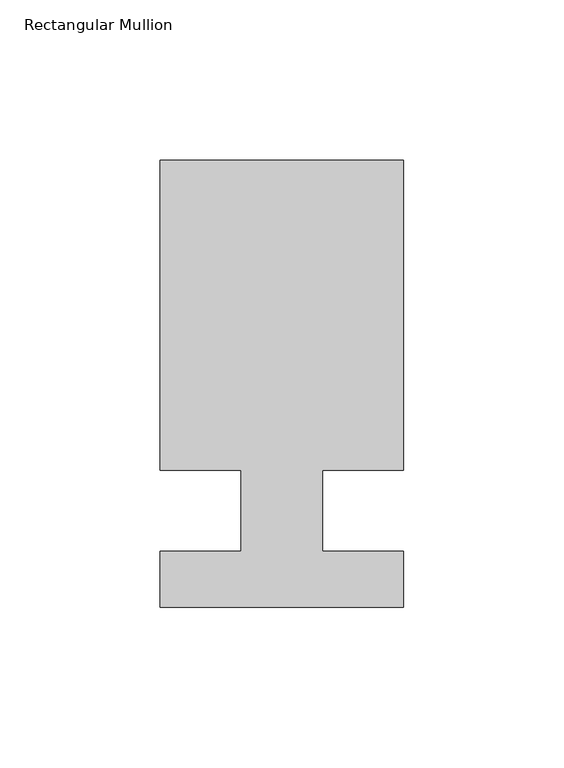
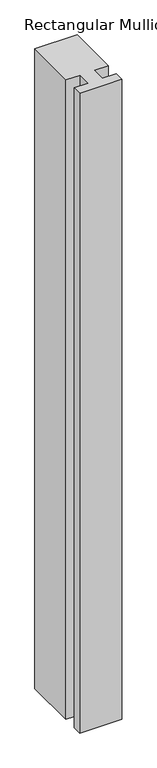
"""IFC4 building model written with IfcOpenShell, lengths in millimetres: member geometry, Rectangular Mullion."""

from ifc_helpers import new_model, si_unit, frame, origin, place, context, project, spatial, polyline, outline, extrude, source, transform, mapped, element, save


def rectangular_mullion_ce52e57a(model_context):
    return source(origin(), model_context, "Body", "SweptSolid", [
        extrude(outline(polyline([(42.4344027, 109.5375), (42.4344027, 12.7), (17.0344027, 12.7), (17.0344027, -12.7), (42.4344027, -12.7), (42.4344027, -30.1625), (-33.7655973, -30.1625), (-33.7655973, -12.7), (-8.3655973, -12.7), (-8.3655973, 12.7), (-33.7655973, 12.7), (-33.7655973, 109.5375), (42.4344027, 109.5375)])), frame((0.0, 0.0, -1219.2), z_axis=(0.0, 0.0, 1.0), x_axis=(1.0, 0.0, 0.0)), (0.0, 0.0, 1.0), 1219.2),
    ])


if __name__ == "__main__":
    model = new_model("IFC4")
    model_context = context("Model", 3, world=origin())
    ifc_project = project(units=[si_unit("LENGTHUNIT", "METRE", prefix="MILLI")], contexts=[model_context])
    site = spatial("IfcSite", under=ifc_project)
    building = spatial("IfcBuilding", under=site)
    placement = place(None, origin())
    rectangular_mullion_shape = rectangular_mullion_ce52e57a(model_context)
    element("IfcMember", 1, ObjectType="Rectangular Mullion", at=placement, inside=building, context=model_context, shape_type="MappedRepresentation", body=[
        mapped(rectangular_mullion_shape, transform((0.0, 0.0, 0.0), x_axis=(1.0, 0.0, 0.0), y_axis=(0.0, 1.0, 0.0), z_axis=(0.0, 0.0, 1.0))),
    ])
    save(model, "model.ifc")
